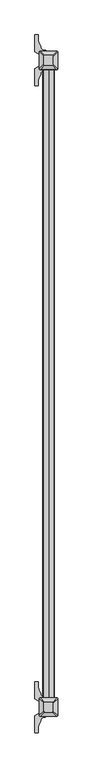
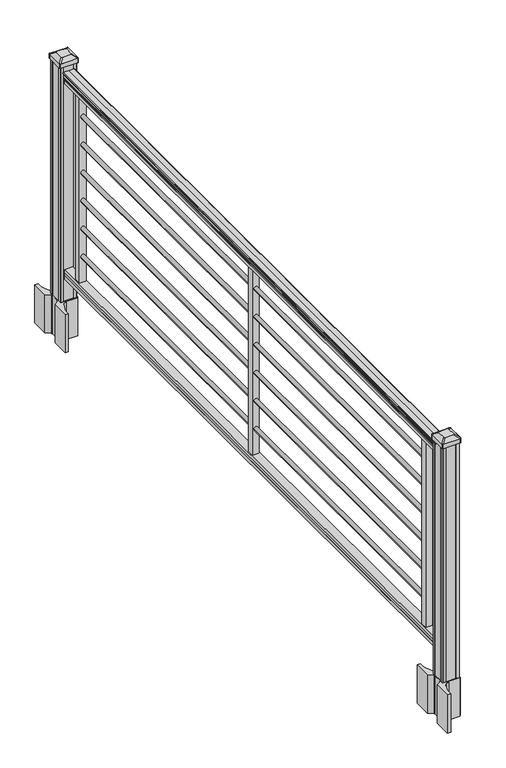
"""IFC4 building model written with IfcOpenShell, lengths in millimetres: railing geometry."""

import ifcopenshell
import ifcopenshell.guid

model = None  # the IFC model being written
_history = None  # IfcOwnerHistory: only IFC2X3 demands one
_inside = {}  # id of a spatial element -> (the spatial element, [elements in it])
_under = {}  # id of a project, library or spatial element -> (it, [spatial elements below it])
_declared = {}  # id of a project -> (the project, [libraries it declares])
_typed = {}  # id of a type object -> (the type object, [elements of that type])
_made_of = {}  # id of a material, layer set ... -> (it, [elements and type objects made of it])


def new_model(schema):
    """Start an empty IFC model of exactly this schema.

    Asked for "IFC4X3", IfcOpenShell would pick the latest addendum, in which some entities
    have other attributes; the version numbers below select the first issue.
    IFC2X3 requires an IfcOwnerHistory on every rooted entity: one is made here for all.
    """
    global model, _history
    if schema == "IFC4X3":
        model = ifcopenshell.file(schema_version=(4, 3, 0, 0))
    else:
        model = ifcopenshell.file(schema=schema)
    _inside.clear()
    _under.clear()
    _declared.clear()
    _typed.clear()
    _made_of.clear()
    _history = None
    if model.schema == "IFC2X3":
        org = make("IfcOrganization", Name="unknown")
        user = make(
            "IfcPersonAndOrganization",
            ThePerson=make("IfcPerson", FamilyName="unknown"),
            TheOrganization=org,
        )
        app = make(
            "IfcApplication",
            ApplicationDeveloper=org,
            Version="unknown",
            ApplicationFullName="unknown",
            ApplicationIdentifier="unknown",
        )
        _history = make(
            "IfcOwnerHistory",
            OwningUser=user,
            OwningApplication=app,
            ChangeAction="ADDED",
            CreationDate=0,
        )
    return model


def make(cls, **values):
    """One entity of the class cls with the attributes given. An attribute that is None is left unset."""
    return model.create_entity(
        cls, **{name: value for name, value in values.items() if value is not None}
    )


def rooted(cls, **values):
    """An entity with a GlobalId (a new one), such as an element, a storey or a relation."""
    return make(cls, GlobalId=ifcopenshell.guid.new(), OwnerHistory=_history, **values)


def si_unit(unit_type, name, prefix=None):
    """IfcSIUnit, for example si_unit("LENGTHUNIT", "METRE", prefix="MILLI")."""
    return make("IfcSIUnit", UnitType=unit_type, Prefix=prefix, Name=name)


def assignment(units):
    """IfcUnitAssignment: the units of a project."""
    return None if units is None else make("IfcUnitAssignment", Units=units)


def point(xyz):
    """IfcCartesianPoint."""
    return None if xyz is None else make("IfcCartesianPoint", Coordinates=xyz)


def direction(xyz):
    """IfcDirection."""
    return None if xyz is None else make("IfcDirection", DirectionRatios=xyz)


def frame(location, z_axis=None, x_axis=None):
    """IfcAxis2Placement3D, a coordinate frame: its origin and axes. An axis left out is left unset."""
    return make(
        "IfcAxis2Placement3D",
        Location=point(location),
        Axis=direction(z_axis),
        RefDirection=direction(x_axis),
    )


def frame_2d(location, x_axis=None):
    """IfcAxis2Placement2D, a coordinate frame in the plane: its origin and x axis."""
    return make(
        "IfcAxis2Placement2D", Location=point(location), RefDirection=direction(x_axis)
    )


def origin():
    """The frame at (0, 0, 0) with its axes left unset."""
    return frame((0.0, 0.0, 0.0))


def origin_with_axes():
    """The frame at (0, 0, 0) with the z axis (0, 0, 1) and the x axis (1, 0, 0) written out."""
    return frame((0.0, 0.0, 0.0), z_axis=(0.0, 0.0, 1.0), x_axis=(1.0, 0.0, 0.0))


def place(relative_to, where):
    """IfcLocalPlacement: puts the frame where relative to a parent placement (None: the world)."""
    return make(
        "IfcLocalPlacement", PlacementRelTo=relative_to, RelativePlacement=where
    )


def context(
    kind, dimensions, precision=None, world=None, true_north=None, identifier=None
):
    """IfcGeometricRepresentationContext, for example the 3D "Model" context."""
    return make(
        "IfcGeometricRepresentationContext",
        ContextIdentifier=identifier,
        ContextType=kind,
        CoordinateSpaceDimension=dimensions,
        Precision=precision,
        WorldCoordinateSystem=world,
        TrueNorth=true_north,
    )


def project(units=None, contexts=None):
    """IfcProject with its units and contexts."""
    return rooted(
        "IfcProject",
        Name="project",
        RepresentationContexts=contexts,
        UnitsInContext=assignment(units),
    )


def spatial(cls, under=None, at=None, **own):
    """A site, building, storey or space (cls), placed at a placement, below another one or the project."""
    s = rooted(cls, ObjectPlacement=at, **own)
    if under is not None:
        _under.setdefault(under.id(), (under, []))[1].append(s)
    return s


def polyline(points):
    """IfcPolyline through the points."""
    return make("IfcPolyline", Points=[point(p) for p in points])


def circle_curve(where, radius):
    """IfcCircle in the frame where."""
    return make("IfcCircle", Position=where, Radius=radius)


def trimmed(basis, trim1, trim2, sense, master):
    """IfcTrimmedCurve: the piece of a basis curve between two trims."""
    return make(
        "IfcTrimmedCurve",
        BasisCurve=basis,
        Trim1=trim1,
        Trim2=trim2,
        SenseAgreement=sense,
        MasterRepresentation=master,
    )


def segment(curve, same_sense, transition):
    """IfcCompositeCurveSegment."""
    return make(
        "IfcCompositeCurveSegment",
        Transition=transition,
        SameSense=same_sense,
        ParentCurve=curve,
    )


def composite_curve(segments, self_intersect=None):
    """IfcCompositeCurve: segments joined end to end."""
    return make("IfcCompositeCurve", Segments=segments, SelfIntersect=self_intersect)


def outline(outer, holes=None, kind="AREA"):
    """IfcArbitraryClosedProfileDef: a profile drawn as a closed curve; with holes, ...WithVoids."""
    if holes is None:
        return make("IfcArbitraryClosedProfileDef", ProfileType=kind, OuterCurve=outer)
    return make(
        "IfcArbitraryProfileDefWithVoids",
        ProfileType=kind,
        OuterCurve=outer,
        InnerCurves=holes,
    )


def extrude(swept, where, along, depth):
    """IfcExtrudedAreaSolid: the profile swept, set in the frame where, extruded along a direction by depth."""
    return make(
        "IfcExtrudedAreaSolid",
        SweptArea=swept,
        Position=where,
        ExtrudedDirection=direction(along),
        Depth=depth,
    )


def shape(context_of_items, identifier, shape_type, items):
    """IfcShapeRepresentation: the items that make up one representation, for example the "Body"."""
    return make(
        "IfcShapeRepresentation",
        ContextOfItems=context_of_items,
        RepresentationIdentifier=identifier,
        RepresentationType=shape_type,
        Items=items,
    )


def source(mapping_origin, context_of_items, identifier, shape_type, items):
    """IfcRepresentationMap: a shape defined once, which mapped items show again and again."""
    return make(
        "IfcRepresentationMap",
        MappingOrigin=mapping_origin,
        MappedRepresentation=shape(context_of_items, identifier, shape_type, items),
    )


def transform(
    local_origin,
    x_axis=None,
    y_axis=None,
    z_axis=None,
    scale=None,
    scale2=None,
    scale3=None,
    uniform=True,
):
    """IfcCartesianTransformationOperator3D, or its non-uniform kind. x_axis, y_axis, z_axis: its Axis1, 2, 3."""
    if uniform:
        return make(
            "IfcCartesianTransformationOperator3D",
            Axis1=direction(x_axis),
            Axis2=direction(y_axis),
            LocalOrigin=point(local_origin),
            Scale=scale,
            Axis3=direction(z_axis),
        )
    return make(
        "IfcCartesianTransformationOperator3DnonUniform",
        Axis1=direction(x_axis),
        Axis2=direction(y_axis),
        LocalOrigin=point(local_origin),
        Scale=scale,
        Axis3=direction(z_axis),
        Scale2=scale2,
        Scale3=scale3,
    )


def mapped(mapping_source, mapping_target):
    """IfcMappedItem: shows the shape of a source again, moved by a transform."""
    return make(
        "IfcMappedItem", MappingSource=mapping_source, MappingTarget=mapping_target
    )


def made_of(thing, what):
    """Note that an element or type object is made of a material, layer set ...; save() writes the relation."""
    if what is not None:
        _made_of.setdefault(what.id(), (what, []))[1].append(thing)
    return thing


def element(
    cls,
    number,
    at=None,
    inside=None,
    cuts=None,
    type_object=None,
    material=None,
    context=None,
    identifier="Body",
    shape_type=None,
    held_by="IfcProductDefinitionShape",
    body=None,
    shapes=None,
    **own,
):
    """One element of the class cls, such as IfcWall. Its Tag is "e" and its number.

    at: its placement. inside: the storey or other place that contains it. cuts: it is an
    opening in that element (IfcRelVoidsElement). A single representation is given by context,
    identifier, shape_type and body (its items); several are given by shapes. held_by: the class
    of the entity that holds the representations. save() writes the other relations.
    """
    e = rooted(cls, Tag="e%d" % number, ObjectPlacement=at, **own)
    if body is not None:
        shapes = [shape(context, identifier, shape_type, body)]
    if shapes is not None:
        e.Representation = make(held_by, Representations=shapes)
    if inside is not None:
        _inside.setdefault(inside.id(), (inside, []))[1].append(e)
    if cuts is not None:
        rooted(
            "IfcRelVoidsElement", RelatingBuildingElement=cuts, RelatedOpeningElement=e
        )
    if type_object is not None:
        _typed.setdefault(type_object.id(), (type_object, []))[1].append(e)
    return made_of(e, material)


def aggregate(whole, parts):
    """IfcRelAggregates: a whole, such as a stair, and the parts it consists of."""
    return rooted("IfcRelAggregates", RelatingObject=whole, RelatedObjects=parts)


def save(model, path):
    """Write the relations noted so far, then the file.

    IfcRelAggregates (storeys below a building ...), IfcRelContainedInSpatialStructure (elements
    in a storey), IfcRelDefinesByType, IfcRelAssociatesMaterial and IfcRelDeclares: one each for
    every whole, place, type object, material and project.
    """
    for whole, parts in _under.values():
        aggregate(whole, parts)
    for where, things in _inside.values():
        rooted(
            "IfcRelContainedInSpatialStructure",
            RelatedElements=things,
            RelatingStructure=where,
        )
    for kind, things in _typed.values():
        rooted("IfcRelDefinesByType", RelatedObjects=things, RelatingType=kind)
    for what, things in _made_of.values():
        rooted("IfcRelAssociatesMaterial", RelatedObjects=things, RelatingMaterial=what)
    for by, libraries in _declared.values():
        rooted("IfcRelDeclares", RelatingContext=by, RelatedDefinitions=libraries)
    model.write(path)


def plane_surface(at):
    """IfcPlane: the flat surface through the origin of the frame at, square to its z axis."""
    return make("IfcPlane", Position=at)


def extruded_surface(curve, direction_of_extrusion, depth):
    """IfcSurfaceOfLinearExtrusion: the curve pushed along a direction by depth."""
    return make(
        "IfcSurfaceOfLinearExtrusion",
        SweptCurve=make("IfcArbitraryOpenProfileDef", ProfileType="CURVE", Curve=curve),
        ExtrudedDirection=direction(direction_of_extrusion),
        Depth=depth,
    )


def advanced_brep(points, edges, surfaces, faces):
    """IfcAdvancedBrep: a solid bounded by faces that lie on surfaces and meet in shared edges.

    An edge is (start, end): straight between two places in points (the first is 0);
    or (start, end, curve); or (start, end, curve, False) where it runs against its curve.
    A face is (place in surfaces, loops), or (place, loops, False) where it looks against
    its surface's normal. A loop lists edges by number (the first is 1), with a minus sign
    where the edge is run from its end to its start. The first loop is the outer one.
    """
    corners = [point(p) for p in points]
    vertices = [make("IfcVertexPoint", VertexGeometry=c) for c in corners]
    made = []
    for start, end, *more in edges:
        made.append(
            make(
                "IfcEdgeCurve",
                EdgeStart=vertices[start],
                EdgeEnd=vertices[end],
                EdgeGeometry=more[0] if more else make("IfcPolyline", Points=[corners[start], corners[end]]),
                SameSense=more[1] if len(more) > 1 else True,
            )
        )
    hull = []
    for where, loops, *sense in faces:
        bounds = []
        for j, loop in enumerate(loops):
            ring = [make("IfcOrientedEdge", EdgeElement=made[abs(k) - 1], Orientation=k > 0) for k in loop]
            bounds.append(
                make(
                    "IfcFaceOuterBound" if j == 0 else "IfcFaceBound",
                    Bound=make("IfcEdgeLoop", EdgeList=ring),
                    Orientation=True,
                )
            )
        hull.append(make("IfcAdvancedFace", Bounds=bounds, FaceSurface=surfaces[where], SameSense=sense[0] if sense else True))
    return make("IfcAdvancedBrep", Outer=make("IfcClosedShell", CfsFaces=hull))


def railing_bcde2a9f(model_context):
    return source(origin(), model_context, "Body", "SolidModel", [
        extrude(outline(composite_curve([segment(polyline([(891.4143297, 949.2470786), (893.302412, 949.2470786)]), True, "CONTINUOUS"), segment(trimmed(circle_curve(frame_2d((899.0606383, 942.9323253)), 8.545951), [point((893.302412, 949.2470786))], [point((894.8646695, 950.3772649))], False, "CARTESIAN"), True, "CONTINUOUS"), segment(trimmed(circle_curve(frame_2d((898.4736577, 943.3693883)), 7.882584), [point((894.8646695, 950.3772649))], [point((902.0826458, 950.3772649))], False, "CARTESIAN"), True, "CONTINUOUS"), segment(trimmed(circle_curve(frame_2d((904.3212527, 953.8827124)), 4.1592695), [point((902.0826458, 950.3772649))], [point((904.5160812, 949.7280085))], True, "CARTESIAN"), True, "CONTINUOUS"), segment(trimmed(circle_curve(frame_2d((904.2608864, 955.1700189)), 5.4479907), [point((904.5160812, 949.7280085))], [point((908.8462083, 952.2280085))], True, "CARTESIAN"), True, "CONTINUOUS"), segment(trimmed(circle_curve(frame_2d((908.843395, 953.9368605)), 1.7088543), [point((908.8462083, 952.2280085))], [point((910.5257972, 953.6373509))], True, "CARTESIAN"), True, "CONTINUOUS"), segment(trimmed(circle_curve(frame_2d((911.6305318, 952.3199604)), 1.7192895), [point((910.5257972, 953.6373509))], [point((911.6305318, 954.0392499))], False, "CARTESIAN"), True, "CONTINUOUS"), segment(polyline([(911.6305318, 954.0392499), (912.9708158, 954.0392498)]), True, "CONTINUOUS"), segment(trimmed(circle_curve(frame_2d((912.9708158, 952.4858026)), 1.5534472), [point((912.9708158, 954.0392498))], [point((914.524263, 952.4858026))], False, "CARTESIAN"), True, "CONTINUOUS"), segment(polyline([(914.524263, 952.4858026), (914.524263, 931.8142498), (914.524263, 911.1426971)]), True, "CONTINUOUS"), segment(trimmed(circle_curve(frame_2d((912.9708158, 911.1426971)), 1.5534472), [point((914.524263, 911.1426971))], [point((912.9708158, 909.5892498))], False, "CARTESIAN"), True, "CONTINUOUS"), segment(polyline([(912.9708158, 909.5892498), (911.6305318, 909.5892498)]), True, "CONTINUOUS"), segment(trimmed(circle_curve(frame_2d((911.6305318, 911.3085393)), 1.7192895), [point((911.6305318, 909.5892498))], [point((910.5257972, 909.9911488))], False, "CARTESIAN"), True, "CONTINUOUS"), segment(trimmed(circle_curve(frame_2d((908.843395, 909.6916392)), 1.7088543), [point((910.5257972, 909.9911488))], [point((908.8462083, 911.4004912))], True, "CARTESIAN"), True, "CONTINUOUS"), segment(trimmed(circle_curve(frame_2d((904.2608864, 908.4584807)), 5.4479907), [point((908.8462083, 911.4004912))], [point((904.5160812, 913.9004912))], True, "CARTESIAN"), True, "CONTINUOUS"), segment(trimmed(circle_curve(frame_2d((904.3212527, 909.7457873)), 4.1592695), [point((904.5160812, 913.9004912))], [point((902.0826458, 913.2512348))], True, "CARTESIAN"), True, "CONTINUOUS"), segment(trimmed(circle_curve(frame_2d((898.4736577, 920.2591114)), 7.882584), [point((902.0826458, 913.2512348))], [point((894.8646695, 913.2512348))], False, "CARTESIAN"), True, "CONTINUOUS"), segment(trimmed(circle_curve(frame_2d((899.0606383, 920.6961744)), 8.545951), [point((894.8646695, 913.2512348))], [point((893.302412, 914.3814211))], False, "CARTESIAN"), True, "CONTINUOUS"), segment(polyline([(893.302412, 914.3814211), (891.4143297, 914.3814211)]), True, "CONTINUOUS"), segment(trimmed(circle_curve(frame_2d((891.4143297, 915.6683355)), 1.2869144), [point((891.4143297, 914.3814211))], [point((891.4143297, 916.9552498))], False, "CARTESIAN"), True, "CONTINUOUS"), segment(polyline([(891.4143297, 916.9552498), (880.9148283, 916.9552498), (879.8988283, 915.9392498), (867.41, 915.9392498), (867.41, 947.6892498), (879.741013, 947.6892498), (880.757013, 946.6732498), (891.4143297, 946.6732498)]), True, "CONTINUOUS"), segment(trimmed(circle_curve(frame_2d((891.4143297, 947.9601642)), 1.2869144), [point((891.4143297, 946.6732498))], [point((891.4143297, 949.2470786))], False, "CARTESIAN"), True, "CONTINUOUS")], self_intersect=False)), frame((0.0, -141618.9191011, 0.0), z_axis=(0.0, 1.0, 0.0), x_axis=(0.0, 0.0, 1.0)), (0.0, 0.0, 1.0), 2438.4),
        extrude(outline(polyline([(100.9461976, 947.7267367), (102.2466183, 946.7107367), (112.6061717, 946.7107367), (113.9544492, 947.7267367), (126.4878781, 947.7267367), (126.4878781, 915.9767367), (113.9378024, 915.9767367), (112.5895248, 916.9927367), (102.2778283, 916.9927367), (100.9295508, 915.9767367), (88.392, 915.9767367), (88.392, 947.7267367), (100.9461976, 947.7267367)])), frame((0.0, -141618.9191011, 0.0), z_axis=(0.0, 1.0, 0.0), x_axis=(0.0, 0.0, 1.0)), (0.0, 0.0, 1.0), 2438.4),
        extrude(outline(polyline([(944.5142498, -139272.4671011), (919.1142498, -139272.4671011), (919.1142498, -139247.0671011), (944.5142498, -139247.0671011), (944.5142498, -139272.4671011)])), frame((0.0, 0.0, 126.4878781), z_axis=(0.0, 0.0, 1.0), x_axis=(1.0, 0.0, 0.0)), (0.0, 0.0, 1.0), 740.9221219),
        extrude(outline(composite_curve([segment(trimmed(circle_curve(frame_2d((789.0468781, 931.5040879)), 8.001), [point((789.0468781, 923.5030879))], [point((789.0468781, 939.5050879))], False, "CARTESIAN"), True, "CONTINUOUS"), segment(trimmed(circle_curve(frame_2d((789.0468781, 931.5040879)), 8.001), [point((789.0468781, 939.5050879))], [point((789.0468781, 923.5030879))], False, "CARTESIAN"), True, "CONTINUOUS")], self_intersect=False)), frame((0.0, -140384.9871011, 0.0), z_axis=(0.0, 1.0, 0.0), x_axis=(0.0, 0.0, 1.0)), (0.0, 0.0, 1.0), 1117.6),
        extrude(outline(composite_curve([segment(trimmed(circle_curve(frame_2d((677.2868781, 931.5040879)), 8.001), [point((677.2868781, 923.5030879))], [point((677.2868781, 939.5050879))], False, "CARTESIAN"), True, "CONTINUOUS"), segment(trimmed(circle_curve(frame_2d((677.2868781, 931.5040879)), 8.001), [point((677.2868781, 939.5050879))], [point((677.2868781, 923.5030879))], False, "CARTESIAN"), True, "CONTINUOUS")], self_intersect=False)), frame((0.0, -140384.9871011, 0.0), z_axis=(0.0, 1.0, 0.0), x_axis=(0.0, 0.0, 1.0)), (0.0, 0.0, 1.0), 1117.6),
        extrude(outline(composite_curve([segment(trimmed(circle_curve(frame_2d((565.5268781, 931.5040879)), 8.001), [point((565.5268781, 923.5030879))], [point((565.5268781, 939.5050879))], False, "CARTESIAN"), True, "CONTINUOUS"), segment(trimmed(circle_curve(frame_2d((565.5268781, 931.5040879)), 8.001), [point((565.5268781, 939.5050879))], [point((565.5268781, 923.5030879))], False, "CARTESIAN"), True, "CONTINUOUS")], self_intersect=False)), frame((0.0, -140384.9871011, 0.0), z_axis=(0.0, 1.0, 0.0), x_axis=(0.0, 0.0, 1.0)), (0.0, 0.0, 1.0), 1117.6),
        extrude(outline(composite_curve([segment(trimmed(circle_curve(frame_2d((453.7668781, 931.5040879)), 8.001), [point((453.7668781, 923.5030879))], [point((453.7668781, 939.5050879))], False, "CARTESIAN"), True, "CONTINUOUS"), segment(trimmed(circle_curve(frame_2d((453.7668781, 931.5040879)), 8.001), [point((453.7668781, 939.5050879))], [point((453.7668781, 923.5030879))], False, "CARTESIAN"), True, "CONTINUOUS")], self_intersect=False)), frame((0.0, -140384.9871011, 0.0), z_axis=(0.0, 1.0, 0.0), x_axis=(0.0, 0.0, 1.0)), (0.0, 0.0, 1.0), 1117.6),
        extrude(outline(composite_curve([segment(trimmed(circle_curve(frame_2d((342.0068781, 931.5040879)), 8.001), [point((342.0068781, 923.5030879))], [point((342.0068781, 939.5050879))], False, "CARTESIAN"), True, "CONTINUOUS"), segment(trimmed(circle_curve(frame_2d((342.0068781, 931.5040879)), 8.001), [point((342.0068781, 939.5050879))], [point((342.0068781, 923.5030879))], False, "CARTESIAN"), True, "CONTINUOUS")], self_intersect=False)), frame((0.0, -140384.9871011, 0.0), z_axis=(0.0, 1.0, 0.0), x_axis=(0.0, 0.0, 1.0)), (0.0, 0.0, 1.0), 1117.6),
        extrude(outline(composite_curve([segment(trimmed(circle_curve(frame_2d((230.2468781, 931.5040879)), 8.001), [point((230.2468781, 923.5030879))], [point((230.2468781, 939.5050879))], False, "CARTESIAN"), True, "CONTINUOUS"), segment(trimmed(circle_curve(frame_2d((230.2468781, 931.5040879)), 8.001), [point((230.2468781, 939.5050879))], [point((230.2468781, 923.5030879))], False, "CARTESIAN"), True, "CONTINUOUS")], self_intersect=False)), frame((0.0, -140384.9871011, 0.0), z_axis=(0.0, 1.0, 0.0), x_axis=(0.0, 0.0, 1.0)), (0.0, 0.0, 1.0), 1117.6),
        extrude(outline(polyline([(944.5142498, -140405.3071011), (919.1142498, -140405.3071011), (919.1142498, -140379.9071011), (944.5142498, -140379.9071011), (944.5142498, -140405.3071011)])), frame((0.0, 0.0, 126.4878781), z_axis=(0.0, 0.0, 1.0), x_axis=(1.0, 0.0, 0.0)), (0.0, 0.0, 1.0), 740.9221219),
        extrude(outline(composite_curve([segment(trimmed(circle_curve(frame_2d((789.0468781, 931.5040879)), 8.001), [point((789.0468781, 923.5030879))], [point((789.0468781, 939.5050879))], False, "CARTESIAN"), True, "CONTINUOUS"), segment(trimmed(circle_curve(frame_2d((789.0468781, 931.5040879)), 8.001), [point((789.0468781, 939.5050879))], [point((789.0468781, 923.5030879))], False, "CARTESIAN"), True, "CONTINUOUS")], self_intersect=False)), frame((0.0, -141517.8271011, 0.0), z_axis=(0.0, 1.0, 0.0), x_axis=(0.0, 0.0, 1.0)), (0.0, 0.0, 1.0), 1117.6),
        extrude(outline(composite_curve([segment(trimmed(circle_curve(frame_2d((677.2868781, 931.5040879)), 8.001), [point((677.2868781, 923.5030879))], [point((677.2868781, 939.5050879))], False, "CARTESIAN"), True, "CONTINUOUS"), segment(trimmed(circle_curve(frame_2d((677.2868781, 931.5040879)), 8.001), [point((677.2868781, 939.5050879))], [point((677.2868781, 923.5030879))], False, "CARTESIAN"), True, "CONTINUOUS")], self_intersect=False)), frame((0.0, -141517.8271011, 0.0), z_axis=(0.0, 1.0, 0.0), x_axis=(0.0, 0.0, 1.0)), (0.0, 0.0, 1.0), 1117.6),
        extrude(outline(composite_curve([segment(trimmed(circle_curve(frame_2d((565.5268781, 931.5040879)), 8.001), [point((565.5268781, 923.5030879))], [point((565.5268781, 939.5050879))], False, "CARTESIAN"), True, "CONTINUOUS"), segment(trimmed(circle_curve(frame_2d((565.5268781, 931.5040879)), 8.001), [point((565.5268781, 939.5050879))], [point((565.5268781, 923.5030879))], False, "CARTESIAN"), True, "CONTINUOUS")], self_intersect=False)), frame((0.0, -141517.8271011, 0.0), z_axis=(0.0, 1.0, 0.0), x_axis=(0.0, 0.0, 1.0)), (0.0, 0.0, 1.0), 1117.6),
        extrude(outline(composite_curve([segment(trimmed(circle_curve(frame_2d((453.7668781, 931.5040879)), 8.001), [point((453.7668781, 923.5030879))], [point((453.7668781, 939.5050879))], False, "CARTESIAN"), True, "CONTINUOUS"), segment(trimmed(circle_curve(frame_2d((453.7668781, 931.5040879)), 8.001), [point((453.7668781, 939.5050879))], [point((453.7668781, 923.5030879))], False, "CARTESIAN"), True, "CONTINUOUS")], self_intersect=False)), frame((0.0, -141517.8271011, 0.0), z_axis=(0.0, 1.0, 0.0), x_axis=(0.0, 0.0, 1.0)), (0.0, 0.0, 1.0), 1117.6),
        extrude(outline(composite_curve([segment(trimmed(circle_curve(frame_2d((342.0068781, 931.5040879)), 8.001), [point((342.0068781, 923.5030879))], [point((342.0068781, 939.5050879))], False, "CARTESIAN"), True, "CONTINUOUS"), segment(trimmed(circle_curve(frame_2d((342.0068781, 931.5040879)), 8.001), [point((342.0068781, 939.5050879))], [point((342.0068781, 923.5030879))], False, "CARTESIAN"), True, "CONTINUOUS")], self_intersect=False)), frame((0.0, -141517.8271011, 0.0), z_axis=(0.0, 1.0, 0.0), x_axis=(0.0, 0.0, 1.0)), (0.0, 0.0, 1.0), 1117.6),
        extrude(outline(composite_curve([segment(trimmed(circle_curve(frame_2d((230.2468781, 931.5040879)), 8.001), [point((230.2468781, 923.5030879))], [point((230.2468781, 939.5050879))], False, "CARTESIAN"), True, "CONTINUOUS"), segment(trimmed(circle_curve(frame_2d((230.2468781, 931.5040879)), 8.001), [point((230.2468781, 939.5050879))], [point((230.2468781, 923.5030879))], False, "CARTESIAN"), True, "CONTINUOUS")], self_intersect=False)), frame((0.0, -141517.8271011, 0.0), z_axis=(0.0, 1.0, 0.0), x_axis=(0.0, 0.0, 1.0)), (0.0, 0.0, 1.0), 1117.6),
        extrude(outline(polyline([(944.5142498, -141538.1471011), (919.1142498, -141538.1471011), (919.1142498, -141512.7471011), (944.5142498, -141512.7471011), (944.5142498, -141538.1471011)])), frame((0.0, 0.0, 126.4878781), z_axis=(0.0, 0.0, 1.0), x_axis=(1.0, 0.0, 0.0)), (0.0, 0.0, 1.0), 740.9221219),
        extrude(outline(composite_curve([segment(polyline([(964.8659998, -139165.901196), (966.4534998, -139166.663196), (966.4534998, -139180.1941241), (963.2392728, -139183.4083511), (911.558602, -139183.4083511), (911.558602, -139184.3291011), (915.9089331, -139184.3291011), (915.9089331, -139185.7833558), (910.8244034, -139185.7833558), (910.8244034, -139187.0673797), (918.6151156, -139187.0673797)]), True, "CONTINUOUS"), segment(trimmed(circle_curve(frame_2d((918.6151156, -139203.8105895)), 16.7432099), [point((918.6151156, -139187.0673797))], [point((901.9929933, -139201.8005828))], True, "CARTESIAN"), True, "CONTINUOUS"), segment(polyline([(901.9929933, -139201.8005828), (894.277549, -139218.8359213)]), True, "CONTINUOUS"), segment(trimmed(circle_curve(frame_2d((939.3783123, -139235.107971)), 47.9464123), [point((894.277549, -139218.8359213))], [point((891.4319, -139235.107971))], True, "CARTESIAN"), True, "CONTINUOUS"), segment(polyline([(891.4319, -139235.107971), (891.4319, -139247.1167105), (879.2283123, -139247.1167105), (879.2283123, -139181.8208511), (897.1749998, -139170.2444348), (897.1749998, -139166.663196), (898.7624998, -139165.901196), (898.7624998, -139131.6370063), (897.1749998, -139130.8750063), (897.1749998, -139127.2937675), (879.2283123, -139115.7173511), (879.2283123, -139050.4214918), (891.4319, -139050.4214918), (891.4319, -139062.4302313)]), True, "CONTINUOUS"), segment(trimmed(circle_curve(frame_2d((939.3783123, -139062.4302313)), 47.9464123), [point((891.4319, -139062.4302313))], [point((894.277549, -139078.702281))], True, "CARTESIAN"), True, "CONTINUOUS"), segment(polyline([(894.277549, -139078.702281), (901.9929933, -139095.7376194)]), True, "CONTINUOUS"), segment(trimmed(circle_curve(frame_2d((918.6151156, -139093.7276128)), 16.7432099), [point((901.9929933, -139095.7376194))], [point((918.6151156, -139110.4708226))], True, "CARTESIAN"), True, "CONTINUOUS"), segment(polyline([(918.6151156, -139110.4708226), (920.2823879, -139110.4708226), (920.2823879, -139111.7548465), (915.9089331, -139111.7548465), (915.9089331, -139113.2091011), (911.558602, -139113.2091011), (911.558602, -139114.1298511), (963.2392728, -139114.1298511), (966.4534998, -139117.3440782), (966.4534998, -139130.8750063), (964.8659998, -139131.6370063), (964.8659998, -139165.901196)]), True, "CONTINUOUS")], self_intersect=False), holes=[polyline([(900.0642498, -139118.6066011), (900.0642498, -139178.9316011), (901.6517498, -139180.5191011), (929.0510325, -139180.5191011), (961.9767498, -139180.5191011), (963.5642498, -139178.9316011), (963.5642498, -139118.6066011), (961.9767498, -139117.0191011), (929.0510325, -139117.0191011), (901.6517498, -139117.0191011), (900.0642498, -139118.6066011)])]), frame((0.0, 0.0, -152.4), z_axis=(0.0, 0.0, 1.0), x_axis=(1.0, 0.0, 0.0)), (0.0, 0.0, 1.0), 152.4),
        advanced_brep(
        [(915.9392498, -139167.8191011, 965.835), (947.6892498, -139167.8191011, 965.835), (950.8642498, -139164.6441011, 965.835), (950.8642498, -139132.8941011, 965.835), (947.6892498, -139129.7191011, 965.835), (915.9392498, -139129.7191011, 965.835), (912.7642498, -139132.8941011, 965.835), (912.7642498, -139164.6441011, 965.835), (899.4292498, -139184.3291011, 954.532), (896.2542498, -139181.1541011, 954.532), (896.2542498, -139116.3841011, 954.532), (899.4292498, -139113.2091011, 954.532), (964.1992498, -139113.2091011, 954.532), (967.3742498, -139116.3841011, 954.532), (967.3742498, -139181.1541011, 954.532), (964.1992498, -139184.3291011, 954.532)],
        [
            (0, 1),
            (1, 2, circle_curve(frame((947.6892498, -139164.6441011, 965.835), z_axis=(0.0, 0.0, 1.0), x_axis=(0.0, 1.0, 0.0)), 3.175)),
            (2, 3),
            (3, 4, circle_curve(frame((947.6892498, -139132.8941011, 965.835), z_axis=(0.0, 0.0, 1.0), x_axis=(0.0, 1.0, 0.0)), 3.175)),
            (4, 5),
            (5, 6, circle_curve(frame((915.9392498, -139132.8941011, 965.835), z_axis=(0.0, 0.0, 1.0), x_axis=(0.0, 1.0, 0.0)), 3.175)),
            (6, 7),
            (7, 0, circle_curve(frame((915.9392498, -139164.6441011, 965.835), z_axis=(0.0, 0.0, 1.0), x_axis=(0.0, 1.0, 0.0)), 3.175)),
            (8, 9, circle_curve(frame((899.4292498, -139181.1541011, 954.532), z_axis=(0.0, 0.0, -1.0), x_axis=(0.0, 1.0, 0.0)), 3.175)),
            (9, 10),
            (10, 11, circle_curve(frame((899.4292498, -139116.3841011, 954.532), z_axis=(0.0, 0.0, -1.0), x_axis=(0.0, 1.0, 0.0)), 3.175)),
            (11, 12),
            (12, 13, circle_curve(frame((964.1992498, -139116.3841011, 954.532), z_axis=(0.0, 0.0, -1.0), x_axis=(0.0, 1.0, 0.0)), 3.175)),
            (13, 14),
            (14, 15, circle_curve(frame((964.1992498, -139181.1541011, 954.532), z_axis=(0.0, 0.0, -1.0), x_axis=(0.0, 1.0, 0.0)), 3.175)),
            (15, 8),
            (8, 0),
            (7, 9),
            (6, 10),
            (5, 11),
            (4, 12),
            (3, 13),
            (2, 14),
            (1, 15),
        ],
        [
            plane_surface(frame((931.8142498, -139148.7691011, 965.835), z_axis=(0.0, 0.0, 1.0), x_axis=(-1.0, 0.0, 0.0))),
            plane_surface(frame((931.8142498, -139148.7691011, 954.532), z_axis=(0.0, 0.0, -1.0), x_axis=(-1.0, 0.0, 0.0))),
            extruded_surface(trimmed(circle_curve(frame((915.9392498, -139164.6441011, 965.835), z_axis=(0.0, 0.0, -1.0), x_axis=(0.0, 1.0, 0.0)), 3.175), [point((915.9392498, -139167.8191011, 965.835))], [point((912.7642498, -139164.6441011, 965.835))], True, "CARTESIAN"), (-16.50999999999999, -16.50999999998021, -11.302999999999997), 25.94066323360577),
            plane_surface(frame((896.2542498, -139148.7691011, 954.532), z_axis=(-0.5649114395471265, 0.0, 0.8251515409116033), x_axis=(0.0, 1.0, 0.0))),
            extruded_surface(trimmed(circle_curve(frame((915.9392498, -139132.8941011, 965.835), z_axis=(0.0, 0.0, -1.0), x_axis=(0.0, 1.0, 0.0)), 3.175), [point((912.7642498, -139132.8941011, 965.835))], [point((915.9392498, -139129.7191011, 965.835))], True, "CARTESIAN"), (-16.50999999999999, 16.510000000009313, -11.302999999999997), 25.940663233624292),
            plane_surface(frame((931.8142498, -139113.2091011, 954.532), z_axis=(0.0, 0.564911439547091, 0.8251515409116277), x_axis=(1.0, 0.0, 0.0))),
            extruded_surface(trimmed(circle_curve(frame((947.6892498, -139132.8941011, 965.835), z_axis=(0.0, 0.0, -1.0), x_axis=(0.0, 1.0, 0.0)), 3.175), [point((947.6892498, -139129.7191011, 965.835))], [point((950.8642498, -139132.8941011, 965.835))], True, "CARTESIAN"), (16.50999999999999, 16.510000000009313, -11.302999999999997), 25.940663233624292),
            plane_surface(frame((967.3742498, -139148.7691011, 954.532), z_axis=(0.5649114395470569, 0.0, 0.825151540911651), x_axis=(0.0, -1.0, 0.0))),
            extruded_surface(trimmed(circle_curve(frame((947.6892498, -139164.6441011, 965.835), z_axis=(0.0, 0.0, -1.0), x_axis=(0.0, 1.0, 0.0)), 3.175), [point((950.8642498, -139164.6441011, 965.835))], [point((947.6892498, -139167.8191011, 965.835))], True, "CARTESIAN"), (16.50999999999999, -16.50999999998021, -11.302999999999997), 25.94066323360577),
            plane_surface(frame((931.8142498, -139184.3291011, 954.532), z_axis=(0.0, -0.5649114395471048, 0.8251515409116182), x_axis=(-1.0, 0.0, 0.0))),
        ],
        [
            (0, [[1, 2, 3, 4, 5, 6, 7, 8]]),
            (1, [[9, 10, 11, 12, 13, 14, 15, 16]]),
            (2, [[17, -8, 18, -9]]),
            (3, [[-18, -7, 19, -10]]),
            (4, [[-19, -6, 20, -11]]),
            (5, [[-20, -5, 21, -12]]),
            (6, [[-21, -4, 22, -13]]),
            (7, [[-22, -3, 23, -14]]),
            (8, [[-23, -2, 24, -15]]),
            (9, [[-24, -1, -17, -16]]),
        ],
    ),
        extrude(outline(composite_curve([segment(trimmed(circle_curve(frame_2d((899.4292498, -139181.1541011)), 3.175), [point((899.4292498, -139184.3291011))], [point((896.2542498, -139181.1541011))], False, "CARTESIAN"), True, "CONTINUOUS"), segment(polyline([(896.2542498, -139181.1541011), (896.2542498, -139116.3841011)]), True, "CONTINUOUS"), segment(trimmed(circle_curve(frame_2d((899.4292498, -139116.3841011)), 3.175), [point((896.2542498, -139116.3841011))], [point((899.4292498, -139113.2091011))], False, "CARTESIAN"), True, "CONTINUOUS"), segment(polyline([(899.4292498, -139113.2091011), (964.1992498, -139113.2091011)]), True, "CONTINUOUS"), segment(trimmed(circle_curve(frame_2d((964.1992498, -139116.3841011)), 3.175), [point((964.1992498, -139113.2091011))], [point((967.3742498, -139116.3841011))], False, "CARTESIAN"), True, "CONTINUOUS"), segment(polyline([(967.3742498, -139116.3841011), (967.3742498, -139181.1541011)]), True, "CONTINUOUS"), segment(trimmed(circle_curve(frame_2d((964.1992498, -139181.1541011)), 3.175), [point((967.3742498, -139181.1541011))], [point((964.1992498, -139184.3291011))], False, "CARTESIAN"), True, "CONTINUOUS"), segment(polyline([(964.1992498, -139184.3291011), (899.4292498, -139184.3291011)]), True, "CONTINUOUS")], self_intersect=False)), frame((0.0, 0.0, 937.26), z_axis=(0.0, 0.0, 1.0), x_axis=(1.0, 0.0, 0.0)), (0.0, 0.0, 1.0), 17.272),
        extrude(outline(polyline([(901.6517498, -139180.5191011), (900.0642498, -139178.9316011), (900.0642498, -139168.5811011), (901.6517498, -139167.8191011), (901.6517498, -139129.7191011), (900.0642498, -139128.9571011), (900.0642498, -139118.6066011), (901.6517498, -139117.0191011), (912.0022498, -139117.0191011), (912.7642498, -139118.6066011), (950.8642498, -139118.6066011), (951.6262498, -139117.0191011), (961.9767498, -139117.0191011), (963.5642498, -139118.6066011), (963.5642498, -139128.9571011), (961.9767498, -139129.7191011), (961.9767498, -139167.8191011), (963.5642498, -139168.5811011), (963.5642498, -139178.9316011), (961.9767498, -139180.5191011), (951.6262498, -139180.5191011), (950.8642498, -139178.9316011), (912.7642498, -139178.9316011), (912.0022498, -139180.5191011), (901.6517498, -139180.5191011)])), origin_with_axes(), (0.0, 0.0, 1.0), 937.26),
        extrude(outline(composite_curve([segment(polyline([(964.8659998, -141667.801196), (966.4534998, -141668.563196), (966.4534998, -141682.0941241), (963.2392728, -141685.3083511), (911.558602, -141685.3083511), (911.558602, -141686.2291011), (915.9089331, -141686.2291011), (915.9089331, -141687.6833558), (910.8244034, -141687.6833558), (910.8244034, -141688.9673797), (918.6151156, -141688.9673797)]), True, "CONTINUOUS"), segment(trimmed(circle_curve(frame_2d((918.6151156, -141705.7105895)), 16.7432099), [point((918.6151156, -141688.9673797))], [point((901.9929933, -141703.7005828))], True, "CARTESIAN"), True, "CONTINUOUS"), segment(polyline([(901.9929933, -141703.7005828), (894.277549, -141720.7359213)]), True, "CONTINUOUS"), segment(trimmed(circle_curve(frame_2d((939.3783123, -141737.007971)), 47.9464123), [point((894.277549, -141720.7359213))], [point((891.4319, -141737.007971))], True, "CARTESIAN"), True, "CONTINUOUS"), segment(polyline([(891.4319, -141737.007971), (891.4319, -141749.0167105), (879.2283123, -141749.0167105), (879.2283123, -141683.7208511), (897.1749998, -141672.1444348), (897.1749998, -141668.563196), (898.7624998, -141667.801196), (898.7624998, -141633.5370063), (897.1749998, -141632.7750063), (897.1749998, -141629.1937675), (879.2283123, -141617.6173511), (879.2283123, -141552.3214918), (891.4319, -141552.3214918), (891.4319, -141564.3302313)]), True, "CONTINUOUS"), segment(trimmed(circle_curve(frame_2d((939.3783123, -141564.3302313)), 47.9464123), [point((891.4319, -141564.3302313))], [point((894.277549, -141580.602281))], True, "CARTESIAN"), True, "CONTINUOUS"), segment(polyline([(894.277549, -141580.602281), (901.9929933, -141597.6376194)]), True, "CONTINUOUS"), segment(trimmed(circle_curve(frame_2d((918.6151156, -141595.6276128)), 16.7432099), [point((901.9929933, -141597.6376194))], [point((918.6151156, -141612.3708226))], True, "CARTESIAN"), True, "CONTINUOUS"), segment(polyline([(918.6151156, -141612.3708226), (920.2823879, -141612.3708226), (920.2823879, -141613.6548465), (915.9089331, -141613.6548465), (915.9089331, -141615.1091011), (911.558602, -141615.1091011), (911.558602, -141616.0298511), (963.2392728, -141616.0298511), (966.4534998, -141619.2440782), (966.4534998, -141632.7750063), (964.8659998, -141633.5370063), (964.8659998, -141667.801196)]), True, "CONTINUOUS")], self_intersect=False), holes=[polyline([(900.0642498, -141620.5066011), (900.0642498, -141680.8316011), (901.6517498, -141682.4191011), (929.0510325, -141682.4191011), (961.9767498, -141682.4191011), (963.5642498, -141680.8316011), (963.5642498, -141620.5066011), (961.9767498, -141618.9191011), (929.0510325, -141618.9191011), (901.6517498, -141618.9191011), (900.0642498, -141620.5066011)])]), frame((0.0, 0.0, -152.4), z_axis=(0.0, 0.0, 1.0), x_axis=(1.0, 0.0, 0.0)), (0.0, 0.0, 1.0), 152.4),
        advanced_brep(
        [(915.9392498, -141669.7191011, 965.835), (947.6892498, -141669.7191011, 965.835), (950.8642498, -141666.5441011, 965.835), (950.8642498, -141634.7941011, 965.835), (947.6892498, -141631.6191011, 965.835), (915.9392498, -141631.6191011, 965.835), (912.7642498, -141634.7941011, 965.835), (912.7642498, -141666.5441011, 965.835), (899.4292498, -141686.2291011, 954.532), (896.2542498, -141683.0541011, 954.532), (896.2542498, -141618.2841011, 954.532), (899.4292498, -141615.1091011, 954.532), (964.1992498, -141615.1091011, 954.532), (967.3742498, -141618.2841011, 954.532), (967.3742498, -141683.0541011, 954.532), (964.1992498, -141686.2291011, 954.532)],
        [
            (0, 1),
            (1, 2, circle_curve(frame((947.6892498, -141666.5441011, 965.835), z_axis=(0.0, 0.0, 1.0), x_axis=(0.0, 1.0, 0.0)), 3.175)),
            (2, 3),
            (3, 4, circle_curve(frame((947.6892498, -141634.7941011, 965.835), z_axis=(0.0, 0.0, 1.0), x_axis=(0.0, 1.0, 0.0)), 3.175)),
            (4, 5),
            (5, 6, circle_curve(frame((915.9392498, -141634.7941011, 965.835), z_axis=(0.0, 0.0, 1.0), x_axis=(0.0, 1.0, 0.0)), 3.175)),
            (6, 7),
            (7, 0, circle_curve(frame((915.9392498, -141666.5441011, 965.835), z_axis=(0.0, 0.0, 1.0), x_axis=(0.0, 1.0, 0.0)), 3.175)),
            (8, 9, circle_curve(frame((899.4292498, -141683.0541011, 954.532), z_axis=(0.0, 0.0, -1.0), x_axis=(0.0, 1.0, 0.0)), 3.175)),
            (9, 10),
            (10, 11, circle_curve(frame((899.4292498, -141618.2841011, 954.532), z_axis=(0.0, 0.0, -1.0), x_axis=(0.0, 1.0, 0.0)), 3.175)),
            (11, 12),
            (12, 13, circle_curve(frame((964.1992498, -141618.2841011, 954.532), z_axis=(0.0, 0.0, -1.0), x_axis=(0.0, 1.0, 0.0)), 3.175)),
            (13, 14),
            (14, 15, circle_curve(frame((964.1992498, -141683.0541011, 954.532), z_axis=(0.0, 0.0, -1.0), x_axis=(0.0, 1.0, 0.0)), 3.175)),
            (15, 8),
            (8, 0),
            (7, 9),
            (6, 10),
            (5, 11),
            (4, 12),
            (3, 13),
            (2, 14),
            (1, 15),
        ],
        [
            plane_surface(frame((931.8142498, -141650.6691011, 965.835), z_axis=(0.0, 0.0, 1.0), x_axis=(-1.0, 0.0, 0.0))),
            plane_surface(frame((931.8142498, -141650.6691011, 954.532), z_axis=(0.0, 0.0, -1.0), x_axis=(-1.0, 0.0, 0.0))),
            extruded_surface(trimmed(circle_curve(frame((915.9392498, -141666.5441011, 965.835), z_axis=(0.0, 0.0, -1.0), x_axis=(0.0, 1.0, 0.0)), 3.175), [point((915.9392498, -141669.7191011, 965.835))], [point((912.7642498, -141666.5441011, 965.835))], True, "CARTESIAN"), (-16.50999999999999, -16.50999999998021, -11.302999999999997), 25.94066323360577),
            plane_surface(frame((896.2542498, -141650.6691011, 954.532), z_axis=(-0.5649114395471265, 0.0, 0.8251515409116033), x_axis=(0.0, 1.0, 0.0))),
            extruded_surface(trimmed(circle_curve(frame((915.9392498, -141634.7941011, 965.835), z_axis=(0.0, 0.0, -1.0), x_axis=(0.0, 1.0, 0.0)), 3.175), [point((912.7642498, -141634.7941011, 965.835))], [point((915.9392498, -141631.6191011, 965.835))], True, "CARTESIAN"), (-16.50999999999999, 16.510000000009313, -11.302999999999997), 25.940663233624292),
            plane_surface(frame((931.8142498, -141615.1091011, 954.532), z_axis=(0.0, 0.564911439547091, 0.8251515409116277), x_axis=(1.0, 0.0, 0.0))),
            extruded_surface(trimmed(circle_curve(frame((947.6892498, -141634.7941011, 965.835), z_axis=(0.0, 0.0, -1.0), x_axis=(0.0, 1.0, 0.0)), 3.175), [point((947.6892498, -141631.6191011, 965.835))], [point((950.8642498, -141634.7941011, 965.835))], True, "CARTESIAN"), (16.50999999999999, 16.510000000009313, -11.302999999999997), 25.940663233624292),
            plane_surface(frame((967.3742498, -141650.6691011, 954.532), z_axis=(0.5649114395470569, 0.0, 0.825151540911651), x_axis=(0.0, -1.0, 0.0))),
            extruded_surface(trimmed(circle_curve(frame((947.6892498, -141666.5441011, 965.835), z_axis=(0.0, 0.0, -1.0), x_axis=(0.0, 1.0, 0.0)), 3.175), [point((950.8642498, -141666.5441011, 965.835))], [point((947.6892498, -141669.7191011, 965.835))], True, "CARTESIAN"), (16.50999999999999, -16.50999999998021, -11.302999999999997), 25.94066323360577),
            plane_surface(frame((931.8142498, -141686.2291011, 954.532), z_axis=(0.0, -0.5649114395471048, 0.8251515409116182), x_axis=(-1.0, 0.0, 0.0))),
        ],
        [
            (0, [[1, 2, 3, 4, 5, 6, 7, 8]]),
            (1, [[9, 10, 11, 12, 13, 14, 15, 16]]),
            (2, [[17, -8, 18, -9]]),
            (3, [[-18, -7, 19, -10]]),
            (4, [[-19, -6, 20, -11]]),
            (5, [[-20, -5, 21, -12]]),
            (6, [[-21, -4, 22, -13]]),
            (7, [[-22, -3, 23, -14]]),
            (8, [[-23, -2, 24, -15]]),
            (9, [[-24, -1, -17, -16]]),
        ],
    ),
        extrude(outline(composite_curve([segment(trimmed(circle_curve(frame_2d((899.4292498, -141683.0541011)), 3.175), [point((899.4292498, -141686.2291011))], [point((896.2542498, -141683.0541011))], False, "CARTESIAN"), True, "CONTINUOUS"), segment(polyline([(896.2542498, -141683.0541011), (896.2542498, -141618.2841011)]), True, "CONTINUOUS"), segment(trimmed(circle_curve(frame_2d((899.4292498, -141618.2841011)), 3.175), [point((896.2542498, -141618.2841011))], [point((899.4292498, -141615.1091011))], False, "CARTESIAN"), True, "CONTINUOUS"), segment(polyline([(899.4292498, -141615.1091011), (964.1992498, -141615.1091011)]), True, "CONTINUOUS"), segment(trimmed(circle_curve(frame_2d((964.1992498, -141618.2841011)), 3.175), [point((964.1992498, -141615.1091011))], [point((967.3742498, -141618.2841011))], False, "CARTESIAN"), True, "CONTINUOUS"), segment(polyline([(967.3742498, -141618.2841011), (967.3742498, -141683.0541011)]), True, "CONTINUOUS"), segment(trimmed(circle_curve(frame_2d((964.1992498, -141683.0541011)), 3.175), [point((967.3742498, -141683.0541011))], [point((964.1992498, -141686.2291011))], False, "CARTESIAN"), True, "CONTINUOUS"), segment(polyline([(964.1992498, -141686.2291011), (899.4292498, -141686.2291011)]), True, "CONTINUOUS")], self_intersect=False)), frame((0.0, 0.0, 937.26), z_axis=(0.0, 0.0, 1.0), x_axis=(1.0, 0.0, 0.0)), (0.0, 0.0, 1.0), 17.272),
        extrude(outline(polyline([(901.6517498, -141682.4191011), (900.0642498, -141680.8316011), (900.0642498, -141670.4811011), (901.6517498, -141669.7191011), (901.6517498, -141631.6191011), (900.0642498, -141630.8571011), (900.0642498, -141620.5066011), (901.6517498, -141618.9191011), (912.0022498, -141618.9191011), (912.7642498, -141620.5066011), (950.8642498, -141620.5066011), (951.6262498, -141618.9191011), (961.9767498, -141618.9191011), (963.5642498, -141620.5066011), (963.5642498, -141630.8571011), (961.9767498, -141631.6191011), (961.9767498, -141669.7191011), (963.5642498, -141670.4811011), (963.5642498, -141680.8316011), (961.9767498, -141682.4191011), (951.6262498, -141682.4191011), (950.8642498, -141680.8316011), (912.7642498, -141680.8316011), (912.0022498, -141682.4191011), (901.6517498, -141682.4191011)])), origin_with_axes(), (0.0, 0.0, 1.0), 937.26),
    ])


if __name__ == "__main__":
    model = new_model("IFC4")
    model_context = context("Model", 3, world=origin())
    ifc_project = project(units=[si_unit("LENGTHUNIT", "METRE", prefix="MILLI")], contexts=[model_context])
    site = spatial("IfcSite", under=ifc_project)
    building = spatial("IfcBuilding", under=site)
    placement = place(None, origin())
    railing_shape = railing_bcde2a9f(model_context)
    element("IfcRailing", 1, at=placement, inside=building, context=model_context, shape_type="MappedRepresentation", body=[
        mapped(railing_shape, transform((0.0, 0.0, 0.0), x_axis=(1.0, 0.0, 0.0), y_axis=(0.0, 1.0, 0.0), z_axis=(0.0, 0.0, 1.0))),
    ])
    save(model, "model.ifc")
